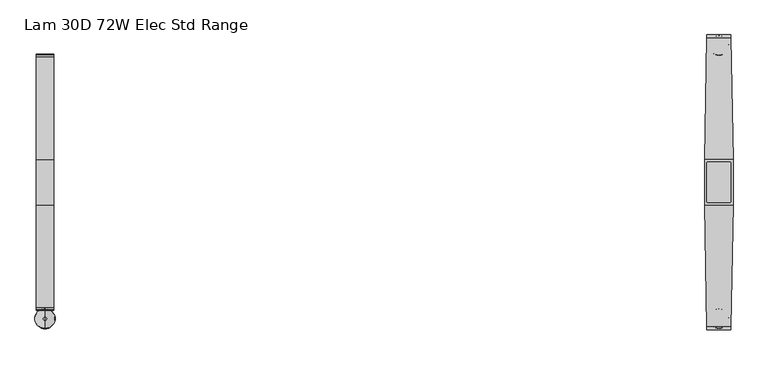
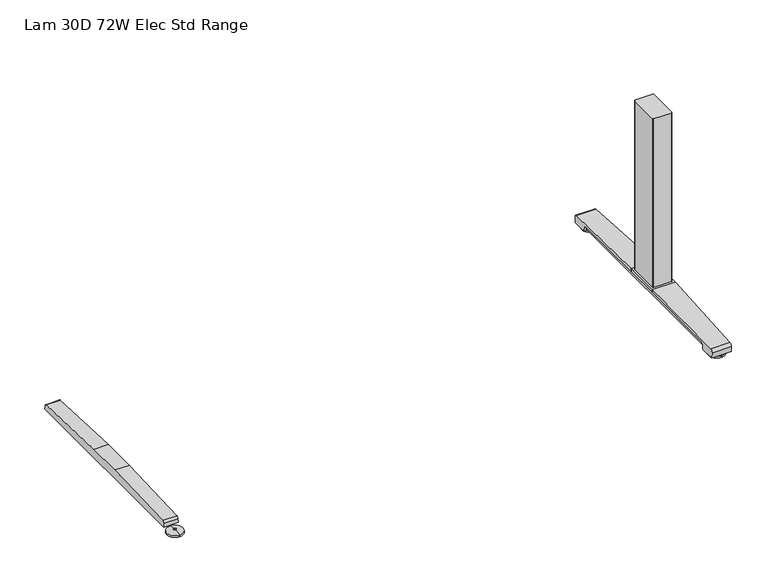
"""IFC4 building model written with IfcOpenShell, lengths in millimetres: furniture geometry, Lam 30D 72W Elec Std Range."""

from ifc_helpers import new_model, si_unit, point, frame, frame_2d, origin, place, context, project, spatial, polyline, circle_curve, ellipse_curve, trimmed, segment, composite_curve, outline, extrude, source, transform, mapped, element, save
from ifc_brep_helpers import plane_surface, cylinder_surface, revolved_surface, advanced_brep


def lam_30d_72w_elec_std_range_88d4d4ea(model_context):
    return source(origin(), model_context, "Body", "SolidModel", [
        advanced_brep(
        [(-836.676, -364.1643617, 0.0), (-836.676, -313.9743384, 0.0), (-836.676, -339.06935, 0.0), (-836.676, -364.0796512, 5.0038001), (-836.676, -314.0590489, 5.0038001), (-836.676, -343.0698499, 8.4327997), (-836.676, -335.0688501, 8.4327997), (-836.676, -343.0698499, 10.0423733), (-836.676, -335.0688501, 10.0423733), (-836.676, -339.06935, 10.0423733)],
        [
            (0, 1, circle_curve(frame((-836.676, -339.06935, 0.0), z_axis=(0.0, 0.0, -1.0), x_axis=(0.0, 1.0, 0.0)), 25.0950117)),
            (1, 2),
            (2, 0),
            (1, 0, circle_curve(frame((-836.676, -339.06935, 0.0), z_axis=(0.0, 0.0, -1.0), x_axis=(0.0, 1.0, 0.0)), 25.0950117)),
            (3, 4, circle_curve(frame((-836.676, -339.06935, 5.0038001), z_axis=(0.0, 0.0, -1.0), x_axis=(0.0, 1.0, 0.0)), 25.0103012)),
            (4, 1),
            (0, 3),
            (4, 3, circle_curve(frame((-836.676, -339.06935, 5.0038001), z_axis=(0.0, 0.0, -1.0), x_axis=(0.0, 1.0, 0.0)), 25.0103012)),
            (5, 6, circle_curve(frame((-836.676, -339.06935, 8.4327997), z_axis=(0.0, 0.0, -1.0), x_axis=(0.0, 1.0, 0.0)), 4.0004999)),
            (6, 4, circle_curve(frame((-836.676, -335.0368668, -57.4502444), z_axis=(-1.0, 0.0, 0.0), x_axis=(0.0, 1.0, 0.0)), 65.8830518)),
            (3, 5, circle_curve(frame((-836.676, -343.1018333, -57.4502444), z_axis=(-1.0, 0.0, 0.0), x_axis=(0.0, -1.0, 0.0)), 65.8830518)),
            (6, 5, circle_curve(frame((-836.676, -339.06935, 8.4327997), z_axis=(0.0, 0.0, -1.0), x_axis=(0.0, 1.0, 0.0)), 4.0004999)),
            (7, 8, circle_curve(frame((-836.676, -339.06935, 10.0423733), z_axis=(0.0, 0.0, -1.0), x_axis=(0.0, 1.0, 0.0)), 4.0004999)),
            (8, 6),
            (5, 7),
            (8, 7, circle_curve(frame((-836.676, -339.06935, 10.0423733), z_axis=(0.0, 0.0, -1.0), x_axis=(0.0, 1.0, 0.0)), 4.0004999)),
            (9, 8),
            (7, 9),
        ],
        [
            plane_surface(frame((-836.676, -339.06935, 0.0), z_axis=(0.0, 0.0, -1.0), x_axis=(0.0, 1.0, 0.0))),
            revolved_surface(polyline([(-836.676, -313.9743384, 0.0), (-836.676, -314.0590489, 5.0038001)]), (-836.676, -339.06935, 0.0), (0.0, 0.0, 1.0)),
            revolved_surface(trimmed(ellipse_curve(frame((-836.676, -335.0368668, -57.4502444), z_axis=(1.0, 0.0, 0.0), x_axis=(0.0, 1.0, 0.0)), 65.8830518, 65.8830518), [point((-836.676, -314.0590489, 5.0038001))], [point((-836.676, -335.0688501, 8.4327997))], True, "CARTESIAN"), (-836.676, -339.06935, 0.0), (0.0, 0.0, 1.0)),
            cylinder_surface(frame((-836.676, -339.06935, 0.0), z_axis=(0.0, 0.0, 1.0), x_axis=(0.0, 1.0, 0.0)), 4.0004999),
            plane_surface(frame((-836.676, -339.06935, 10.0423733), z_axis=(0.0, 0.0, 1.0), x_axis=(0.0, 1.0, 0.0))),
        ],
        [
            (0, [[1, 2, 3]]),
            (0, [[4, -3, -2]]),
            (1, [[5, 6, -1, 7]]),
            (1, [[8, -7, -4, -6]]),
            (2, [[9, 10, -5, 11]]),
            (2, [[12, -11, -8, -10]]),
            (3, [[13, 14, -9, 15]]),
            (3, [[16, -15, -12, -14]]),
            (4, [[17, -13, 18]]),
            (4, [[-18, -16, -17]]),
        ],
    ),
        extrude(outline(composite_curve([segment(polyline([(317.3152602, 22.833301), (318.3038309, 11.5339019), (-318.3038309, 11.5339019), (-317.3152602, 22.833301)]), True, "CONTINUOUS"), segment(trimmed(circle_curve(frame_2d((-310.4929906, 22.2364289)), 6.8483297), [point((-317.3152602, 22.833301))], [point((-311.3603185, 29.0296138))], False, "CARTESIAN"), True, "CONTINUOUS"), segment(polyline([(-311.3603185, 29.0296138), (-56.1182127, 38.9541198), (56.1182127, 38.9541198), (311.3603185, 29.0296138)]), True, "CONTINUOUS"), segment(trimmed(circle_curve(frame_2d((310.4929906, 22.2364289)), 6.8483297), [point((311.3603185, 29.0296138))], [point((317.3152602, 22.833301))], False, "CARTESIAN"), True, "CONTINUOUS")], self_intersect=False)), frame((-858.6724, 0.0, 0.0), z_axis=(1.0, 0.0, 0.0), x_axis=(0.0, 1.0, 0.0)), (0.0, 0.0, 1.0), 43.9928),
        extrude(outline(composite_curve([segment(trimmed(circle_curve(frame_2d((864.2521079, 47.6421079)), 2.3323921), [point((864.2521079, 49.9745))], [point((866.5845, 47.6421079))], False, "CARTESIAN"), True, "CONTINUOUS"), segment(polyline([(866.5845, 47.6421079), (866.5845, -47.6421079)]), True, "CONTINUOUS"), segment(trimmed(circle_curve(frame_2d((864.2521079, -47.6421079)), 2.3323921), [point((866.5845, -47.6421079))], [point((864.2521079, -49.9745))], False, "CARTESIAN"), True, "CONTINUOUS"), segment(polyline([(864.2521079, -49.9745), (809.0998921, -49.9745)]), True, "CONTINUOUS"), segment(trimmed(circle_curve(frame_2d((809.0998921, -47.6421079)), 2.3323921), [point((809.0998921, -49.9745))], [point((806.7675, -47.6421079))], False, "CARTESIAN"), True, "CONTINUOUS"), segment(polyline([(806.7675, -47.6421079), (806.7675, 47.6421079)]), True, "CONTINUOUS"), segment(trimmed(circle_curve(frame_2d((809.0998921, 47.6421079)), 2.3323921), [point((806.7675, 47.6421079))], [point((809.0998921, 49.9745))], False, "CARTESIAN"), True, "CONTINUOUS"), segment(polyline([(809.0998921, 49.9745), (864.2521079, 49.9745)]), True, "CONTINUOUS")], self_intersect=False)), frame((0.0, 0.0, 48.10013), z_axis=(0.0, 0.0, 1.0), x_axis=(1.0, 0.0, 0.0)), (0.0, 0.0, 1.0), 550.9989485),
        advanced_brep(
        [(836.676, 314.8489737, 0.0), (836.676, 365.038997, 0.0), (836.676, 339.9439854, 0.0), (836.676, 314.9336842, 5.0038001), (836.676, 364.9542866, 5.0038001), (836.676, 335.9434855, 8.4327997), (836.676, 343.9444853, 8.4327997), (836.676, 335.9434855, 10.0423733), (836.676, 343.9444853, 10.0423733), (836.676, 339.9439854, 10.0423733)],
        [
            (0, 1, circle_curve(frame((836.676, 339.9439854, 0.0), z_axis=(0.0, 0.0, -1.0), x_axis=(0.0, 1.0, 0.0)), 25.0950117)),
            (1, 2),
            (2, 0),
            (1, 0, circle_curve(frame((836.676, 339.9439854, 0.0), z_axis=(0.0, 0.0, -1.0), x_axis=(0.0, 1.0, 0.0)), 25.0950117)),
            (3, 4, circle_curve(frame((836.676, 339.9439854, 5.0038001), z_axis=(0.0, 0.0, -1.0), x_axis=(0.0, 1.0, 0.0)), 25.0103012)),
            (4, 1),
            (0, 3),
            (4, 3, circle_curve(frame((836.676, 339.9439854, 5.0038001), z_axis=(0.0, 0.0, -1.0), x_axis=(0.0, 1.0, 0.0)), 25.0103012)),
            (5, 6, circle_curve(frame((836.676, 339.9439854, 8.4327997), z_axis=(0.0, 0.0, -1.0), x_axis=(0.0, 1.0, 0.0)), 4.0004999)),
            (6, 4, circle_curve(frame((836.676, 343.9764687, -57.4502444), z_axis=(-1.0, 0.0, 0.0), x_axis=(0.0, 1.0, 0.0)), 65.8830518)),
            (3, 5, circle_curve(frame((836.676, 335.9115021, -57.4502444), z_axis=(-1.0, 0.0, 0.0), x_axis=(0.0, -1.0, 0.0)), 65.8830518)),
            (6, 5, circle_curve(frame((836.676, 339.9439854, 8.4327997), z_axis=(0.0, 0.0, -1.0), x_axis=(0.0, 1.0, 0.0)), 4.0004999)),
            (7, 8, circle_curve(frame((836.676, 339.9439854, 10.0423733), z_axis=(0.0, 0.0, -1.0), x_axis=(0.0, 1.0, 0.0)), 4.0004999)),
            (8, 6),
            (5, 7),
            (8, 7, circle_curve(frame((836.676, 339.9439854, 10.0423733), z_axis=(0.0, 0.0, -1.0), x_axis=(0.0, 1.0, 0.0)), 4.0004999)),
            (9, 8),
            (7, 9),
        ],
        [
            plane_surface(frame((836.676, 339.9439854, 0.0), z_axis=(0.0, 0.0, -1.0), x_axis=(0.0, 1.0, 0.0))),
            revolved_surface(polyline([(836.676, 365.038997, 0.0), (836.676, 364.9542866, 5.0038001)]), (836.676, 339.9439854, 0.0), (0.0, 0.0, 1.0)),
            revolved_surface(trimmed(ellipse_curve(frame((836.676, 343.9764687, -57.4502444), z_axis=(1.0, 0.0, 0.0), x_axis=(0.0, 1.0, 0.0)), 65.8830518, 65.8830518), [point((836.676, 364.9542866, 5.0038001))], [point((836.676, 343.9444853, 8.4327997))], True, "CARTESIAN"), (836.676, 339.9439854, 0.0), (0.0, 0.0, 1.0)),
            cylinder_surface(frame((836.676, 339.9439854, 0.0), z_axis=(0.0, 0.0, 1.0), x_axis=(0.0, 1.0, 0.0)), 4.0004999),
            plane_surface(frame((836.676, 339.9439854, 10.0423733), z_axis=(0.0, 0.0, 1.0), x_axis=(0.0, 1.0, 0.0))),
        ],
        [
            (0, [[1, 2, 3]]),
            (0, [[4, -3, -2]]),
            (1, [[5, 6, -1, 7]]),
            (1, [[8, -7, -4, -6]]),
            (2, [[9, 10, -5, 11]]),
            (2, [[12, -11, -8, -10]]),
            (3, [[13, 14, -9, 15]]),
            (3, [[16, -15, -12, -14]]),
            (4, [[17, -13, 18]]),
            (4, [[-18, -16, -17]]),
        ],
    ),
        advanced_brep(
        [(836.676, -364.1643617, 0.0), (836.676, -313.9743384, 0.0), (836.676, -339.06935, 0.0), (836.676, -364.0796512, 5.0038001), (836.676, -314.0590489, 5.0038001), (836.676, -343.0698499, 8.4327997), (836.676, -335.0688501, 8.4327997), (836.676, -343.0698499, 10.0423733), (836.676, -335.0688501, 10.0423733), (836.676, -339.06935, 10.0423733)],
        [
            (0, 1, circle_curve(frame((836.676, -339.06935, 0.0), z_axis=(0.0, 0.0, -1.0), x_axis=(0.0, 1.0, 0.0)), 25.0950117)),
            (1, 2),
            (2, 0),
            (1, 0, circle_curve(frame((836.676, -339.06935, 0.0), z_axis=(0.0, 0.0, -1.0), x_axis=(0.0, 1.0, 0.0)), 25.0950117)),
            (3, 4, circle_curve(frame((836.676, -339.06935, 5.0038001), z_axis=(0.0, 0.0, -1.0), x_axis=(0.0, 1.0, 0.0)), 25.0103012)),
            (4, 1),
            (0, 3),
            (4, 3, circle_curve(frame((836.676, -339.06935, 5.0038001), z_axis=(0.0, 0.0, -1.0), x_axis=(0.0, 1.0, 0.0)), 25.0103012)),
            (5, 6, circle_curve(frame((836.676, -339.06935, 8.4327997), z_axis=(0.0, 0.0, -1.0), x_axis=(0.0, 1.0, 0.0)), 4.0004999)),
            (6, 4, circle_curve(frame((836.676, -335.0368668, -57.4502444), z_axis=(-1.0, 0.0, 0.0), x_axis=(0.0, 1.0, 0.0)), 65.8830518)),
            (3, 5, circle_curve(frame((836.676, -343.1018333, -57.4502444), z_axis=(-1.0, 0.0, 0.0), x_axis=(0.0, -1.0, 0.0)), 65.8830518)),
            (6, 5, circle_curve(frame((836.676, -339.06935, 8.4327997), z_axis=(0.0, 0.0, -1.0), x_axis=(0.0, 1.0, 0.0)), 4.0004999)),
            (7, 8, circle_curve(frame((836.676, -339.06935, 10.0423733), z_axis=(0.0, 0.0, -1.0), x_axis=(0.0, 1.0, 0.0)), 4.0004999)),
            (8, 6),
            (5, 7),
            (8, 7, circle_curve(frame((836.676, -339.06935, 10.0423733), z_axis=(0.0, 0.0, -1.0), x_axis=(0.0, 1.0, 0.0)), 4.0004999)),
            (9, 8),
            (7, 9),
        ],
        [
            plane_surface(frame((836.676, -339.06935, 0.0), z_axis=(0.0, 0.0, -1.0), x_axis=(0.0, 1.0, 0.0))),
            revolved_surface(polyline([(836.676, -313.9743384, 0.0), (836.676, -314.0590489, 5.0038001)]), (836.676, -339.06935, 0.0), (0.0, 0.0, 1.0)),
            revolved_surface(trimmed(ellipse_curve(frame((836.676, -335.0368668, -57.4502444), z_axis=(1.0, 0.0, 0.0), x_axis=(0.0, 1.0, 0.0)), 65.8830518, 65.8830518), [point((836.676, -314.0590489, 5.0038001))], [point((836.676, -335.0688501, 8.4327997))], True, "CARTESIAN"), (836.676, -339.06935, 0.0), (0.0, 0.0, 1.0)),
            cylinder_surface(frame((836.676, -339.06935, 0.0), z_axis=(0.0, 0.0, 1.0), x_axis=(0.0, 1.0, 0.0)), 4.0004999),
            plane_surface(frame((836.676, -339.06935, 10.0423733), z_axis=(0.0, 0.0, 1.0), x_axis=(0.0, 1.0, 0.0))),
        ],
        [
            (0, [[1, 2, 3]]),
            (0, [[4, -3, -2]]),
            (1, [[5, 6, -1, 7]]),
            (1, [[8, -7, -4, -6]]),
            (2, [[9, 10, -5, 11]]),
            (2, [[12, -11, -8, -10]]),
            (3, [[13, 14, -9, 15]]),
            (3, [[16, -15, -12, -14]]),
            (4, [[17, -13, 18]]),
            (4, [[-18, -16, -17]]),
        ],
    ),
        extrude(outline(polyline([(871.8068382, 56.1182127), (871.8068382, -56.1182127), (801.5451618, -56.1182127), (801.5451618, 56.1182127), (871.8068382, 56.1182127)])), frame((0.0, 0.0, 38.9541198), z_axis=(0.0, 0.0, 1.0), x_axis=(1.0, 0.0, 0.0)), (0.0, 0.0, 1.0), 9.1460102),
        advanced_brep(
        [(866.3505896, 366.395, 26.8186), (866.4822575, 358.907527, 35.7787117), (871.8068382, 56.1182127, 48.10013), (871.8068382, 56.1182127, 38.9541198), (867.31838, 311.3603185, 29.0296138), (867.2136618, 317.3152602, 22.833301), (867.1939845, 318.4342309, 10.0434261), (866.3760047, 364.9497362, 10.041053), (806.8701004, 358.907527, 35.7787117), (807.0017683, 366.395, 26.8186), (806.9763532, 364.9497362, 10.041053), (806.1583734, 318.4342309, 10.0434261), (806.1386962, 317.3152602, 22.833301), (806.0339779, 311.3603185, 29.0296138), (801.5455196, 56.1182064, 38.9541201), (801.5455197, 56.1182127, 48.10013)],
        [
            (0, 1, ellipse_curve(frame((866.495738, 358.1409412, 27.5296273), z_axis=(0.9998454179622464, 0.01758238265710797, 0.0), x_axis=(0.017582382657103067, -0.9998454179622465, 0.0)), 8.285908, 8.2846272)),
            (1, 2, ellipse_curve(frame((896.7288072, -1361.1024809, -38505.5680807), z_axis=(0.9998454179622464, 0.01758238265710797, 0.0), x_axis=(0.017582382657103067, -0.9998454179622465, 0.0)), 38585.6723619, 38579.7077101)),
            (2, 3),
            (3, 4),
            (4, 5, ellipse_curve(frame((867.3336321, 310.4929906, 22.2364289), z_axis=(-0.9998454179622464, -0.01758238265710797, 0.0), x_axis=(-0.017582382657103067, 0.9998454179622465, 0.0)), 6.8493884, 6.8483297)),
            (5, 6),
            (6, 7),
            (7, 0),
            (8, 9, ellipse_curve(frame((806.8566199, 358.1409412, 27.5296273), z_axis=(-0.999845417962248, 0.017582382657020928, 0.0), x_axis=(0.01758238265700388, 0.9998454179622482, 0.0)), 8.285908, 8.2846272)),
            (9, 10),
            (10, 11),
            (11, 12),
            (12, 13, ellipse_curve(frame((806.0187259, 310.4929906, 22.2364289), z_axis=(0.999845417962248, -0.017582382657020928, 0.0), x_axis=(-0.01758238265700388, -0.9998454179622482, 0.0)), 6.8493884, 6.8483297)),
            (13, 14),
            (14, 15),
            (15, 8, ellipse_curve(frame((776.6235507, -1361.1024809, -38505.5680807), z_axis=(-0.999845417962248, 0.017582382657020928, 0.0), x_axis=(0.01758238265700388, 0.9998454179622482, 0.0)), 38585.6723619, 38579.7077101)),
            (0, 9),
            (8, 1),
            (7, 10),
            (6, 11),
            (5, 12),
            (4, 13),
            (3, 14),
            (2, 15),
        ],
        [
            plane_surface(frame((866.3226732, 367.9825, 48.10013), z_axis=(0.9998454179622464, 0.01758238265710797, 0.0), x_axis=(0.0, 0.0, -1.0))),
            plane_surface(frame((801.5455197, 56.1182127, 48.10013), z_axis=(-0.999845417962248, 0.017582382657020928, 0.0), x_axis=(0.0, 0.0, -1.0))),
            cylinder_surface(frame((801.5451618, 358.1409412, 27.5296273), z_axis=(1.0, 0.0, 0.0), x_axis=(0.0, 1.0, 0.0)), 8.2846272),
            plane_surface(frame((871.8068382, 364.9497362, 10.041053), z_axis=(0.0, 0.996310236870306, -0.08582489095498451), x_axis=(-1.0, 0.0, 0.0))),
            plane_surface(frame((871.8068382, 318.4342309, 10.0434261), z_axis=(0.0, -5.101798419271786e-05, -0.9999999986985827), x_axis=(-1.0, 0.0, 0.0))),
            plane_surface(frame((871.8068382, 317.3152602, 22.833301), z_axis=(0.0, -0.9961946873837872, -0.08715586514009506), x_axis=(-1.0, 0.0, 0.0))),
            revolved_surface(polyline([(805.8982973321848, 317.3413203, 22.2364289), (867.454060667816, 317.3413203, 22.2364289)]), (801.5451618, 310.4929906, 22.2364289), (-1.0, 0.0, 0.0)),
            plane_surface(frame((871.8068382, 56.1182127, 38.9541198), z_axis=(0.0, -0.03885335543744915, -0.9992449233152257), x_axis=(-1.0, 0.0, 0.0))),
            plane_surface(frame((871.8068382, 56.1182127, 48.10013), z_axis=(0.0, -1.0, 0.0), x_axis=(-1.0, 0.0, 0.0))),
            cylinder_surface(frame((801.5451618, -1361.1024809, -38505.5680807), z_axis=(1.0, 0.0, 0.0), x_axis=(0.0, 1.0, 0.0)), 38579.7077101),
        ],
        [
            (0, [[1, 2, 3, 4, 5, 6, 7, 8]]),
            (1, [[9, 10, 11, 12, 13, 14, 15, 16]]),
            (2, [[17, -9, 18, -1]]),
            (3, [[-17, -8, 19, -10]]),
            (4, [[-19, -7, 20, -11]]),
            (5, [[-20, -6, 21, -12]]),
            (6, [[-21, -5, 22, -13]]),
            (7, [[23, -14, -22, -4]]),
            (8, [[-23, -3, 24, -15]]),
            (9, [[-24, -2, -18, -16]]),
        ],
    ),
        extrude(outline(composite_curve([segment(polyline([(317.3152602, 22.833301), (318.3038309, 11.5339019), (-318.3038309, 11.5339019), (-317.3152602, 22.833301)]), True, "CONTINUOUS"), segment(trimmed(circle_curve(frame_2d((-310.4929906, 22.2364289)), 6.8483297), [point((-317.3152602, 22.833301))], [point((-311.3603185, 29.0296138))], False, "CARTESIAN"), True, "CONTINUOUS"), segment(polyline([(-311.3603185, 29.0296138), (-56.1182127, 38.9541198), (56.1182127, 38.9541198), (311.3603185, 29.0296138)]), True, "CONTINUOUS"), segment(trimmed(circle_curve(frame_2d((310.4929906, 22.2364289)), 6.8483297), [point((311.3603185, 29.0296138))], [point((317.3152602, 22.833301))], False, "CARTESIAN"), True, "CONTINUOUS")], self_intersect=False)), frame((814.6796, 0.0, 0.0), z_axis=(1.0, 0.0, 0.0), x_axis=(0.0, 1.0, 0.0)), (0.0, 0.0, 1.0), 43.9928),
        advanced_brep(
        [(866.4822575, -358.907527, 35.7787117), (806.8701004, -358.907527, 35.7787117), (807.0017683, -366.395, 26.8186), (866.3505896, -366.395, 26.8186), (806.9763532, -364.9497362, 10.041053), (866.3760047, -364.9497362, 10.041053), (806.1583734, -318.4342309, 10.0434261), (867.1939845, -318.4342309, 10.0434261), (806.1386962, -317.3152602, 22.833301), (867.2136618, -317.3152602, 22.833301), (806.0339779, -311.3603185, 29.0296138), (867.31838, -311.3603185, 29.0296138), (801.5451618, -56.1182127, 38.9541198), (871.8068382, -56.1182127, 38.9541198), (801.5455197, -56.1182127, 48.10013), (871.8068382, -56.1182127, 48.10013)],
        [
            (0, 1),
            (1, 2, ellipse_curve(frame((806.8566199, -358.1409412, 27.5296273), z_axis=(0.9998454179622465, 0.017582382657103254, 0.0), x_axis=(0.017582382657095153, -0.9998454179622466, 0.0)), 8.285908, 8.2846272)),
            (2, 3),
            (3, 0, ellipse_curve(frame((866.495738, -358.1409412, 27.5296273), z_axis=(-0.9998454179622464, 0.017582382657105877, 0.0), x_axis=(0.017582382657108358, 0.9998454179622465, 0.0)), 8.285908, 8.2846272)),
            (2, 4),
            (4, 5),
            (5, 3),
            (4, 6),
            (6, 7),
            (7, 5),
            (6, 8),
            (8, 9),
            (9, 7),
            (8, 10, ellipse_curve(frame((806.0187259, -310.4929906, 22.2364289), z_axis=(-0.9998454179622465, -0.017582382657103254, 0.0), x_axis=(-0.017582382657095153, 0.9998454179622466, 0.0)), 6.8493884, 6.8483297)),
            (10, 11),
            (11, 9, ellipse_curve(frame((867.3336321, -310.4929906, 22.2364289), z_axis=(0.9998454179622464, -0.017582382657105877, 0.0), x_axis=(-0.017582382657108358, -0.9998454179622465, 0.0)), 6.8493884, 6.8483297)),
            (12, 13),
            (13, 11),
            (10, 12),
            (12, 14),
            (14, 15),
            (15, 13),
            (15, 0, ellipse_curve(frame((896.7288072, 1361.1024809, -38505.568082), z_axis=(0.9998454179622464, -0.017582382657105877, 0.0), x_axis=(0.017582382657108358, 0.9998454179622465, 0.0)), 38585.6723633, 38579.7077114)),
            (1, 14, ellipse_curve(frame((776.6235507, 1361.1024809, -38505.568082), z_axis=(-0.9998454179622465, -0.017582382657103254, 0.0), x_axis=(0.017582382657095153, -0.9998454179622466, 0.0)), 38585.6723633, 38579.7077114)),
        ],
        [
            cylinder_surface(frame((801.5451618, -358.1409412, 27.5296273), z_axis=(1.0, 0.0, 0.0), x_axis=(0.0, 1.0, 0.0)), 8.2846272),
            plane_surface(frame((871.8068382, -366.395, 26.8186), z_axis=(0.0, -0.9963102368705579, -0.08582489095206026), x_axis=(-1.0, 0.0, 0.0))),
            plane_surface(frame((871.8068382, -364.9497362, 10.041053), z_axis=(0.0, 5.10179839128194e-05, -0.9999999986985827), x_axis=(-1.0, 0.0, 0.0))),
            plane_surface(frame((871.8068382, -318.4342309, 10.0434261), z_axis=(0.0, 0.9961946873837977, -0.08715586513997582), x_axis=(-1.0, 0.0, 0.0))),
            revolved_surface(polyline([(805.8982973321841, -303.64466089999996, 22.2364289), (867.4540606678161, -303.64466089999996, 22.2364289)]), (801.5451618, -310.4929906, 22.2364289), (-1.0, 0.0, 0.0)),
            plane_surface(frame((871.8068382, -311.3603185, 29.0296138), z_axis=(0.0, 0.03885335543746911, -0.999244923315225), x_axis=(-1.0, 0.0, 0.0))),
            plane_surface(frame((871.8068382, -56.1182127, 38.9541198), z_axis=(0.0, 1.0, 0.0), x_axis=(-1.0, 0.0, 0.0))),
            plane_surface(frame((871.8068382, -56.1182127, 48.10013), z_axis=(0.9998454179622464, -0.017582382657105877, 0.0), x_axis=(0.0, 0.0, -1.0))),
            plane_surface(frame((807.0296847, -367.9825, 48.10013), z_axis=(-0.9998454179622465, -0.017582382657103254, 0.0), x_axis=(0.0, 0.0, -1.0))),
            cylinder_surface(frame((801.5451618, 1361.1024809, -38505.568082), z_axis=(1.0, 0.0, 0.0), x_axis=(0.0, 1.0, 0.0)), 38579.7077114),
        ],
        [
            (0, [[1, 2, 3, 4]]),
            (1, [[-3, 5, 6, 7]]),
            (2, [[-6, 8, 9, 10]]),
            (3, [[-9, 11, 12, 13]]),
            (4, [[-12, 14, 15, 16]]),
            (5, [[17, 18, -15, 19]]),
            (6, [[-17, 20, 21, 22]]),
            (7, [[-4, -7, -10, -13, -16, -18, -22, 23]]),
            (8, [[-2, 24, -20, -19, -14, -11, -8, -5]]),
            (9, [[-21, -24, -1, -23]]),
        ],
    ),
    ])


if __name__ == "__main__":
    model = new_model("IFC4")
    model_context = context("Model", 3, world=origin())
    ifc_project = project(units=[si_unit("LENGTHUNIT", "METRE", prefix="MILLI")], contexts=[model_context])
    site = spatial("IfcSite", under=ifc_project)
    building = spatial("IfcBuilding", under=site)
    placement = place(None, origin())
    lam_30d_72w_elec_std_range_shape = lam_30d_72w_elec_std_range_88d4d4ea(model_context)
    element("IfcFurniture", 1, ObjectType="Lam 30D 72W Elec Std Range", at=placement, inside=building, context=model_context, shape_type="MappedRepresentation", body=[
        mapped(lam_30d_72w_elec_std_range_shape, transform((0.0, 0.0, 0.0), x_axis=(1.0, 0.0, 0.0), y_axis=(0.0, 1.0, 0.0), z_axis=(0.0, 0.0, 1.0))),
    ])
    save(model, "model.ifc")
